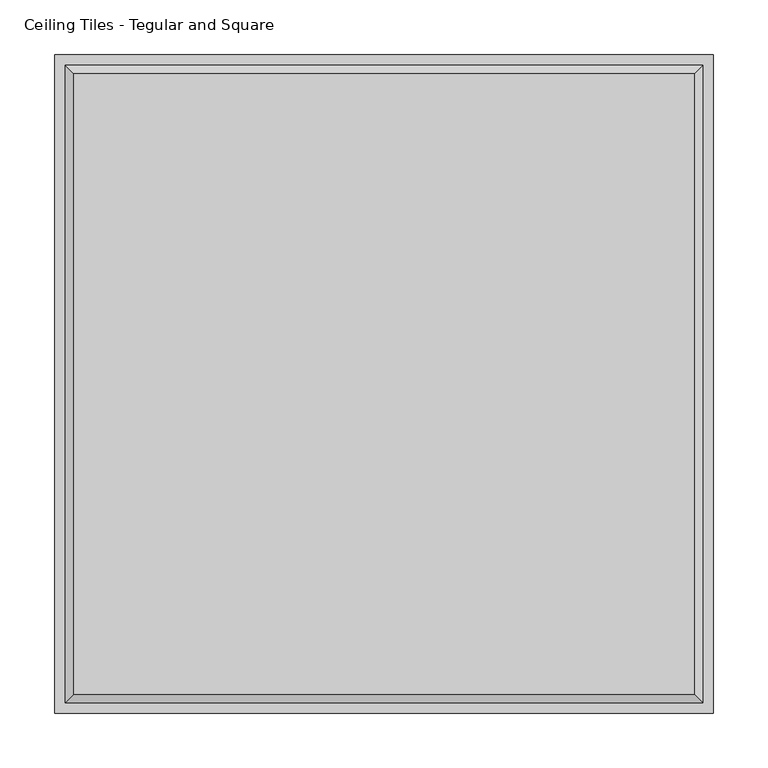
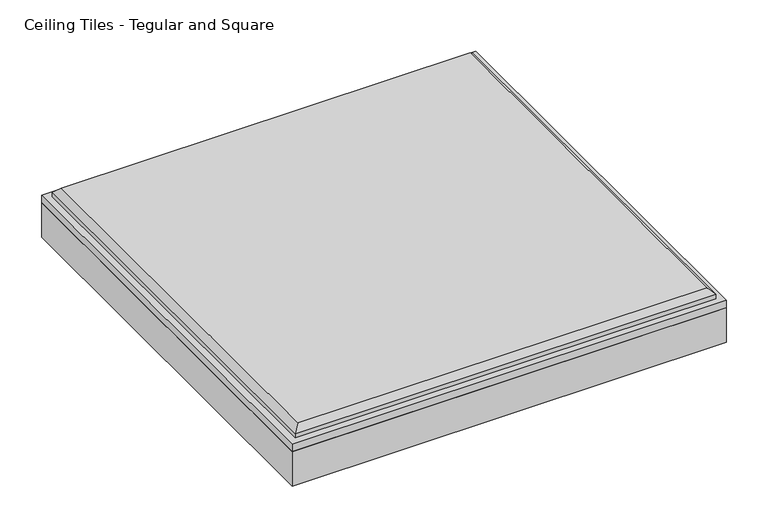
"""IFC4 building model written with IfcOpenShell, lengths in millimetres: proxy geometry, Ceiling Tiles - Tegular and Square."""

import ifcopenshell
import ifcopenshell.guid

model = None  # the IFC model being written
_history = None  # IfcOwnerHistory: only IFC2X3 demands one
_inside = {}  # id of a spatial element -> (the spatial element, [elements in it])
_under = {}  # id of a project, library or spatial element -> (it, [spatial elements below it])
_declared = {}  # id of a project -> (the project, [libraries it declares])
_typed = {}  # id of a type object -> (the type object, [elements of that type])
_made_of = {}  # id of a material, layer set ... -> (it, [elements and type objects made of it])


def new_model(schema):
    """Start an empty IFC model of exactly this schema.

    Asked for "IFC4X3", IfcOpenShell would pick the latest addendum, in which some entities
    have other attributes; the version numbers below select the first issue.
    IFC2X3 requires an IfcOwnerHistory on every rooted entity: one is made here for all.
    """
    global model, _history
    if schema == "IFC4X3":
        model = ifcopenshell.file(schema_version=(4, 3, 0, 0))
    else:
        model = ifcopenshell.file(schema=schema)
    _inside.clear()
    _under.clear()
    _declared.clear()
    _typed.clear()
    _made_of.clear()
    _history = None
    if model.schema == "IFC2X3":
        org = make("IfcOrganization", Name="unknown")
        user = make(
            "IfcPersonAndOrganization",
            ThePerson=make("IfcPerson", FamilyName="unknown"),
            TheOrganization=org,
        )
        app = make(
            "IfcApplication",
            ApplicationDeveloper=org,
            Version="unknown",
            ApplicationFullName="unknown",
            ApplicationIdentifier="unknown",
        )
        _history = make(
            "IfcOwnerHistory",
            OwningUser=user,
            OwningApplication=app,
            ChangeAction="ADDED",
            CreationDate=0,
        )
    return model


def make(cls, **values):
    """One entity of the class cls with the attributes given. An attribute that is None is left unset."""
    return model.create_entity(
        cls, **{name: value for name, value in values.items() if value is not None}
    )


def rooted(cls, **values):
    """An entity with a GlobalId (a new one), such as an element, a storey or a relation."""
    return make(cls, GlobalId=ifcopenshell.guid.new(), OwnerHistory=_history, **values)


def si_unit(unit_type, name, prefix=None):
    """IfcSIUnit, for example si_unit("LENGTHUNIT", "METRE", prefix="MILLI")."""
    return make("IfcSIUnit", UnitType=unit_type, Prefix=prefix, Name=name)


def assignment(units):
    """IfcUnitAssignment: the units of a project."""
    return None if units is None else make("IfcUnitAssignment", Units=units)


def point(xyz):
    """IfcCartesianPoint."""
    return None if xyz is None else make("IfcCartesianPoint", Coordinates=xyz)


def direction(xyz):
    """IfcDirection."""
    return None if xyz is None else make("IfcDirection", DirectionRatios=xyz)


def frame(location, z_axis=None, x_axis=None):
    """IfcAxis2Placement3D, a coordinate frame: its origin and axes. An axis left out is left unset."""
    return make(
        "IfcAxis2Placement3D",
        Location=point(location),
        Axis=direction(z_axis),
        RefDirection=direction(x_axis),
    )


def origin():
    """The frame at (0, 0, 0) with its axes left unset."""
    return frame((0.0, 0.0, 0.0))


def origin_with_axes():
    """The frame at (0, 0, 0) with the z axis (0, 0, 1) and the x axis (1, 0, 0) written out."""
    return frame((0.0, 0.0, 0.0), z_axis=(0.0, 0.0, 1.0), x_axis=(1.0, 0.0, 0.0))


def place(relative_to, where):
    """IfcLocalPlacement: puts the frame where relative to a parent placement (None: the world)."""
    return make(
        "IfcLocalPlacement", PlacementRelTo=relative_to, RelativePlacement=where
    )


def context(
    kind, dimensions, precision=None, world=None, true_north=None, identifier=None
):
    """IfcGeometricRepresentationContext, for example the 3D "Model" context."""
    return make(
        "IfcGeometricRepresentationContext",
        ContextIdentifier=identifier,
        ContextType=kind,
        CoordinateSpaceDimension=dimensions,
        Precision=precision,
        WorldCoordinateSystem=world,
        TrueNorth=true_north,
    )


def project(units=None, contexts=None):
    """IfcProject with its units and contexts."""
    return rooted(
        "IfcProject",
        Name="project",
        RepresentationContexts=contexts,
        UnitsInContext=assignment(units),
    )


def spatial(cls, under=None, at=None, **own):
    """A site, building, storey or space (cls), placed at a placement, below another one or the project."""
    s = rooted(cls, ObjectPlacement=at, **own)
    if under is not None:
        _under.setdefault(under.id(), (under, []))[1].append(s)
    return s


def polyline(points):
    """IfcPolyline through the points."""
    return make("IfcPolyline", Points=[point(p) for p in points])


def outline(outer, holes=None, kind="AREA"):
    """IfcArbitraryClosedProfileDef: a profile drawn as a closed curve; with holes, ...WithVoids."""
    if holes is None:
        return make("IfcArbitraryClosedProfileDef", ProfileType=kind, OuterCurve=outer)
    return make(
        "IfcArbitraryProfileDefWithVoids",
        ProfileType=kind,
        OuterCurve=outer,
        InnerCurves=holes,
    )


def extrude(swept, where, along, depth):
    """IfcExtrudedAreaSolid: the profile swept, set in the frame where, extruded along a direction by depth."""
    return make(
        "IfcExtrudedAreaSolid",
        SweptArea=swept,
        Position=where,
        ExtrudedDirection=direction(along),
        Depth=depth,
    )


def faces_of(points, faces, orient=None, outer=None):
    """IfcFace entities. A face is a list of loops; a loop is a list of indices into points, from 0.

    orient and outer hold one flag for each loop. By default every Orientation is true, the
    first loop of a face is its IfcFaceOuterBound and the others are IfcFaceBound.
    """
    made = []
    for i, loops in enumerate(faces):
        bounds = []
        for j, loop in enumerate(loops):
            is_outer = j == 0 if outer is None else outer[i][j]
            bounds.append(
                make(
                    "IfcFaceOuterBound" if is_outer else "IfcFaceBound",
                    Bound=make("IfcPolyLoop", Polygon=[points[k] for k in loop]),
                    Orientation=True if orient is None else orient[i][j],
                )
            )
        made.append(make("IfcFace", Bounds=bounds))
    return made


def faceted_brep(points, faces, orient=None, outer=None, voids=None):
    """IfcFacetedBrep: a solid bounded by flat faces; with voids (closed shells), ...WithVoids."""
    shared = [point(p) for p in points]
    hull = make("IfcClosedShell", CfsFaces=faces_of(shared, faces, orient, outer))
    if voids is None:
        return make("IfcFacetedBrep", Outer=hull)
    return make(
        "IfcFacetedBrepWithVoids",
        Outer=hull,
        Voids=[
            make(cls, CfsFaces=faces_of(shared, fs, o, b)) for cls, fs, o, b in voids
        ],
    )


def shape(context_of_items, identifier, shape_type, items):
    """IfcShapeRepresentation: the items that make up one representation, for example the "Body"."""
    return make(
        "IfcShapeRepresentation",
        ContextOfItems=context_of_items,
        RepresentationIdentifier=identifier,
        RepresentationType=shape_type,
        Items=items,
    )


def source(mapping_origin, context_of_items, identifier, shape_type, items):
    """IfcRepresentationMap: a shape defined once, which mapped items show again and again."""
    return make(
        "IfcRepresentationMap",
        MappingOrigin=mapping_origin,
        MappedRepresentation=shape(context_of_items, identifier, shape_type, items),
    )


def transform(
    local_origin,
    x_axis=None,
    y_axis=None,
    z_axis=None,
    scale=None,
    scale2=None,
    scale3=None,
    uniform=True,
):
    """IfcCartesianTransformationOperator3D, or its non-uniform kind. x_axis, y_axis, z_axis: its Axis1, 2, 3."""
    if uniform:
        return make(
            "IfcCartesianTransformationOperator3D",
            Axis1=direction(x_axis),
            Axis2=direction(y_axis),
            LocalOrigin=point(local_origin),
            Scale=scale,
            Axis3=direction(z_axis),
        )
    return make(
        "IfcCartesianTransformationOperator3DnonUniform",
        Axis1=direction(x_axis),
        Axis2=direction(y_axis),
        LocalOrigin=point(local_origin),
        Scale=scale,
        Axis3=direction(z_axis),
        Scale2=scale2,
        Scale3=scale3,
    )


def mapped(mapping_source, mapping_target):
    """IfcMappedItem: shows the shape of a source again, moved by a transform."""
    return make(
        "IfcMappedItem", MappingSource=mapping_source, MappingTarget=mapping_target
    )


def made_of(thing, what):
    """Note that an element or type object is made of a material, layer set ...; save() writes the relation."""
    if what is not None:
        _made_of.setdefault(what.id(), (what, []))[1].append(thing)
    return thing


def element(
    cls,
    number,
    at=None,
    inside=None,
    cuts=None,
    type_object=None,
    material=None,
    context=None,
    identifier="Body",
    shape_type=None,
    held_by="IfcProductDefinitionShape",
    body=None,
    shapes=None,
    **own,
):
    """One element of the class cls, such as IfcWall. Its Tag is "e" and its number.

    at: its placement. inside: the storey or other place that contains it. cuts: it is an
    opening in that element (IfcRelVoidsElement). A single representation is given by context,
    identifier, shape_type and body (its items); several are given by shapes. held_by: the class
    of the entity that holds the representations. save() writes the other relations.
    """
    e = rooted(cls, Tag="e%d" % number, ObjectPlacement=at, **own)
    if body is not None:
        shapes = [shape(context, identifier, shape_type, body)]
    if shapes is not None:
        e.Representation = make(held_by, Representations=shapes)
    if inside is not None:
        _inside.setdefault(inside.id(), (inside, []))[1].append(e)
    if cuts is not None:
        rooted(
            "IfcRelVoidsElement", RelatingBuildingElement=cuts, RelatedOpeningElement=e
        )
    if type_object is not None:
        _typed.setdefault(type_object.id(), (type_object, []))[1].append(e)
    return made_of(e, material)


def aggregate(whole, parts):
    """IfcRelAggregates: a whole, such as a stair, and the parts it consists of."""
    return rooted("IfcRelAggregates", RelatingObject=whole, RelatedObjects=parts)


def save(model, path):
    """Write the relations noted so far, then the file.

    IfcRelAggregates (storeys below a building ...), IfcRelContainedInSpatialStructure (elements
    in a storey), IfcRelDefinesByType, IfcRelAssociatesMaterial and IfcRelDeclares: one each for
    every whole, place, type object, material and project.
    """
    for whole, parts in _under.values():
        aggregate(whole, parts)
    for where, things in _inside.values():
        rooted(
            "IfcRelContainedInSpatialStructure",
            RelatedElements=things,
            RelatingStructure=where,
        )
    for kind, things in _typed.values():
        rooted("IfcRelDefinesByType", RelatedObjects=things, RelatingType=kind)
    for what, things in _made_of.values():
        rooted("IfcRelAssociatesMaterial", RelatedObjects=things, RelatingMaterial=what)
    for by, libraries in _declared.values():
        rooted("IfcRelDeclares", RelatingContext=by, RelatedDefinitions=libraries)
    model.write(path)


def ceiling_tiles_tegular_and_square_202d2ffb(model_context):
    return source(origin(), model_context, "Body", "SolidModel", [
        extrude(outline(polyline([(301.625, 301.625), (301.625, -301.625), (-301.625, -301.625), (-301.625, 301.625), (301.625, 301.625)])), origin_with_axes(), (0.0, 0.0, 1.0), 50.8),
        faceted_brep([(284.099, 284.099, 76.2), (-284.099, 284.099, 76.2), (-284.099, -284.099, 76.2), (284.099, -284.099, 76.2), (-301.625, 301.625, 50.8), (301.625, 301.625, 50.8), (301.625, -301.625, 50.8), (-301.625, -301.625, 50.8), (-301.625, -301.625, 61.9125), (-301.625, 301.625, 61.9125), (301.625, -301.625, 61.9125), (301.625, 301.625, 61.9125), (292.1, 292.1, 68.199), (-292.1, 292.1, 68.199), (-292.1, -292.1, 68.199), (292.1, -292.1, 68.199), (292.1, 292.1, 61.9125), (-292.1, 292.1, 61.9125), (-292.1, -292.1, 61.9125), (292.1, -292.1, 61.9125)], [[[0, 1, 2, 3]], [[4, 5, 6, 7]], [[4, 7, 8, 9]], [[7, 6, 10, 8]], [[6, 5, 11, 10]], [[5, 4, 9, 11]], [[12, 13, 1, 0]], [[1, 13, 14, 2]], [[2, 14, 15, 3]], [[12, 0, 3, 15]], [[16, 17, 13, 12]], [[13, 17, 18, 14]], [[14, 18, 19, 15]], [[16, 12, 15, 19]], [[9, 8, 10, 11], [17, 16, 19, 18]]]),
    ])


if __name__ == "__main__":
    model = new_model("IFC4")
    model_context = context("Model", 3, world=origin())
    ifc_project = project(units=[si_unit("LENGTHUNIT", "METRE", prefix="MILLI")], contexts=[model_context])
    site = spatial("IfcSite", under=ifc_project)
    building = spatial("IfcBuilding", under=site)
    placement = place(None, origin())
    ceiling_tiles_tegular_and_square_shape = ceiling_tiles_tegular_and_square_202d2ffb(model_context)
    element("IfcBuildingElementProxy", 1, Name="Ceiling Tiles - Tegular and Square", ObjectType="Ceiling Tiles - Tegular and Square", at=placement, inside=building, context=model_context, shape_type="MappedRepresentation", body=[
        mapped(ceiling_tiles_tegular_and_square_shape, transform((0.0, 0.0, 0.0), x_axis=(1.0, 0.0, 0.0), y_axis=(0.0, 1.0, 0.0), z_axis=(0.0, 0.0, 1.0))),
    ])
    save(model, "model.ifc")
